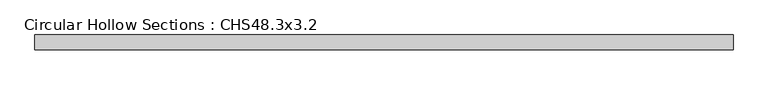
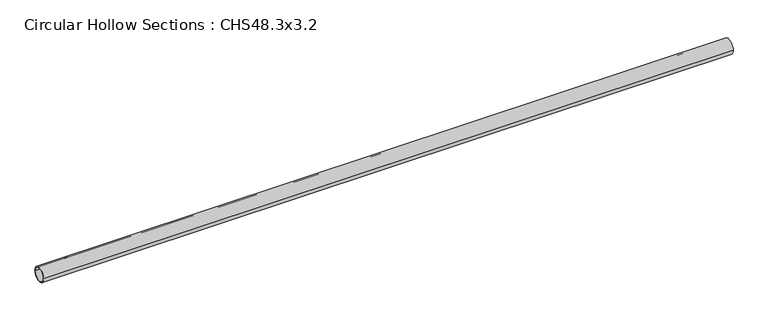
"""IFC4 building model written with IfcOpenShell, lengths in millimetres: member geometry, Circular Hollow Sections : CHS48.3x3.2."""

from ifc_helpers import new_model, si_unit, point, frame, origin, origin_2d, place, context, project, spatial, circle_curve, trimmed, segment, composite_curve, outline, extrude, source, transform, mapped, element, save


def circular_hollow_sections_chs48_3x3_2_9c5b2591(model_context):
    return source(origin(), model_context, "Body", "SweptSolid", [
        extrude(outline(composite_curve([segment(trimmed(circle_curve(origin_2d(), 24.15), [point((-24.15, 0.0))], [point((24.15, 0.0))], False, "CARTESIAN"), True, "CONTINUOUS"), segment(trimmed(circle_curve(origin_2d(), 24.15), [point((24.15, 0.0))], [point((-24.15, 0.0))], False, "CARTESIAN"), True, "CONTINUOUS")], self_intersect=False), holes=[composite_curve([segment(trimmed(circle_curve(origin_2d(), 20.95), [point((20.95, 0.0))], [point((-20.95, 0.0))], True, "CARTESIAN"), True, "CONTINUOUS"), segment(trimmed(circle_curve(origin_2d(), 20.95), [point((-20.95, 0.0))], [point((20.95, 0.0))], True, "CARTESIAN"), True, "CONTINUOUS")], self_intersect=False)]), frame((-1129.1, 0.0, 0.0), z_axis=(1.0, 0.0, 0.0), x_axis=(0.0, 1.0, 0.0)), (0.0, 0.0, 1.0), 2258.2),
    ])


if __name__ == "__main__":
    model = new_model("IFC4")
    model_context = context("Model", 3, world=origin())
    ifc_project = project(units=[si_unit("LENGTHUNIT", "METRE", prefix="MILLI")], contexts=[model_context])
    site = spatial("IfcSite", under=ifc_project)
    building = spatial("IfcBuilding", under=site)
    placement = place(None, origin())
    circular_hollow_sections_chs48_3x3_2_shape = circular_hollow_sections_chs48_3x3_2_9c5b2591(model_context)
    element("IfcMember", 1, ObjectType="Circular Hollow Sections : CHS48.3x3.2", at=placement, inside=building, context=model_context, shape_type="MappedRepresentation", body=[
        mapped(circular_hollow_sections_chs48_3x3_2_shape, transform((0.0, 0.0, 0.0), x_axis=(1.0, 0.0, 0.0), y_axis=(0.0, 1.0, 0.0), z_axis=(0.0, 0.0, 1.0))),
    ])
    save(model, "model.ifc")
